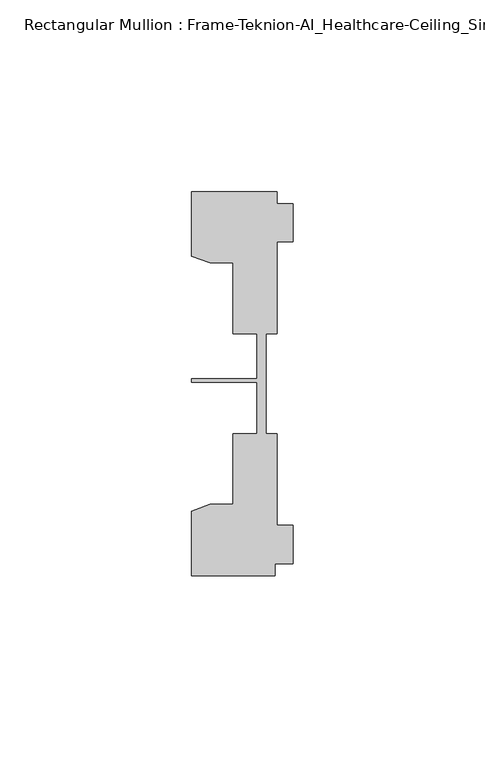
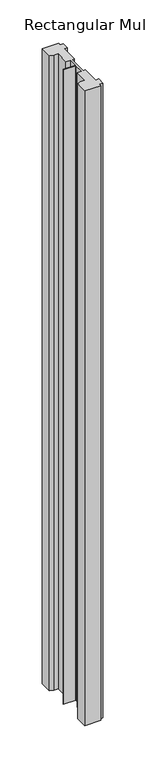
"""IFC4 building model written with IfcOpenShell, lengths in millimetres: member geometry, Rectangular Mullion : Frame-Teknion-AI_Healthcare-Ceiling_Single_Channel."""

import ifcopenshell
import ifcopenshell.guid

model = None  # the IFC model being written
_history = None  # IfcOwnerHistory: only IFC2X3 demands one
_inside = {}  # id of a spatial element -> (the spatial element, [elements in it])
_under = {}  # id of a project, library or spatial element -> (it, [spatial elements below it])
_declared = {}  # id of a project -> (the project, [libraries it declares])
_typed = {}  # id of a type object -> (the type object, [elements of that type])
_made_of = {}  # id of a material, layer set ... -> (it, [elements and type objects made of it])


def new_model(schema):
    """Start an empty IFC model of exactly this schema.

    Asked for "IFC4X3", IfcOpenShell would pick the latest addendum, in which some entities
    have other attributes; the version numbers below select the first issue.
    IFC2X3 requires an IfcOwnerHistory on every rooted entity: one is made here for all.
    """
    global model, _history
    if schema == "IFC4X3":
        model = ifcopenshell.file(schema_version=(4, 3, 0, 0))
    else:
        model = ifcopenshell.file(schema=schema)
    _inside.clear()
    _under.clear()
    _declared.clear()
    _typed.clear()
    _made_of.clear()
    _history = None
    if model.schema == "IFC2X3":
        org = make("IfcOrganization", Name="unknown")
        user = make(
            "IfcPersonAndOrganization",
            ThePerson=make("IfcPerson", FamilyName="unknown"),
            TheOrganization=org,
        )
        app = make(
            "IfcApplication",
            ApplicationDeveloper=org,
            Version="unknown",
            ApplicationFullName="unknown",
            ApplicationIdentifier="unknown",
        )
        _history = make(
            "IfcOwnerHistory",
            OwningUser=user,
            OwningApplication=app,
            ChangeAction="ADDED",
            CreationDate=0,
        )
    return model


def make(cls, **values):
    """One entity of the class cls with the attributes given. An attribute that is None is left unset."""
    return model.create_entity(
        cls, **{name: value for name, value in values.items() if value is not None}
    )


def rooted(cls, **values):
    """An entity with a GlobalId (a new one), such as an element, a storey or a relation."""
    return make(cls, GlobalId=ifcopenshell.guid.new(), OwnerHistory=_history, **values)


def si_unit(unit_type, name, prefix=None):
    """IfcSIUnit, for example si_unit("LENGTHUNIT", "METRE", prefix="MILLI")."""
    return make("IfcSIUnit", UnitType=unit_type, Prefix=prefix, Name=name)


def assignment(units):
    """IfcUnitAssignment: the units of a project."""
    return None if units is None else make("IfcUnitAssignment", Units=units)


def point(xyz):
    """IfcCartesianPoint."""
    return None if xyz is None else make("IfcCartesianPoint", Coordinates=xyz)


def direction(xyz):
    """IfcDirection."""
    return None if xyz is None else make("IfcDirection", DirectionRatios=xyz)


def frame(location, z_axis=None, x_axis=None):
    """IfcAxis2Placement3D, a coordinate frame: its origin and axes. An axis left out is left unset."""
    return make(
        "IfcAxis2Placement3D",
        Location=point(location),
        Axis=direction(z_axis),
        RefDirection=direction(x_axis),
    )


def origin():
    """The frame at (0, 0, 0) with its axes left unset."""
    return frame((0.0, 0.0, 0.0))


def place(relative_to, where):
    """IfcLocalPlacement: puts the frame where relative to a parent placement (None: the world)."""
    return make(
        "IfcLocalPlacement", PlacementRelTo=relative_to, RelativePlacement=where
    )


def context(
    kind, dimensions, precision=None, world=None, true_north=None, identifier=None
):
    """IfcGeometricRepresentationContext, for example the 3D "Model" context."""
    return make(
        "IfcGeometricRepresentationContext",
        ContextIdentifier=identifier,
        ContextType=kind,
        CoordinateSpaceDimension=dimensions,
        Precision=precision,
        WorldCoordinateSystem=world,
        TrueNorth=true_north,
    )


def project(units=None, contexts=None):
    """IfcProject with its units and contexts."""
    return rooted(
        "IfcProject",
        Name="project",
        RepresentationContexts=contexts,
        UnitsInContext=assignment(units),
    )


def spatial(cls, under=None, at=None, **own):
    """A site, building, storey or space (cls), placed at a placement, below another one or the project."""
    s = rooted(cls, ObjectPlacement=at, **own)
    if under is not None:
        _under.setdefault(under.id(), (under, []))[1].append(s)
    return s


def polyline(points):
    """IfcPolyline through the points."""
    return make("IfcPolyline", Points=[point(p) for p in points])


def outline(outer, holes=None, kind="AREA"):
    """IfcArbitraryClosedProfileDef: a profile drawn as a closed curve; with holes, ...WithVoids."""
    if holes is None:
        return make("IfcArbitraryClosedProfileDef", ProfileType=kind, OuterCurve=outer)
    return make(
        "IfcArbitraryProfileDefWithVoids",
        ProfileType=kind,
        OuterCurve=outer,
        InnerCurves=holes,
    )


def extrude(swept, where, along, depth):
    """IfcExtrudedAreaSolid: the profile swept, set in the frame where, extruded along a direction by depth."""
    return make(
        "IfcExtrudedAreaSolid",
        SweptArea=swept,
        Position=where,
        ExtrudedDirection=direction(along),
        Depth=depth,
    )


def shape(context_of_items, identifier, shape_type, items):
    """IfcShapeRepresentation: the items that make up one representation, for example the "Body"."""
    return make(
        "IfcShapeRepresentation",
        ContextOfItems=context_of_items,
        RepresentationIdentifier=identifier,
        RepresentationType=shape_type,
        Items=items,
    )


def source(mapping_origin, context_of_items, identifier, shape_type, items):
    """IfcRepresentationMap: a shape defined once, which mapped items show again and again."""
    return make(
        "IfcRepresentationMap",
        MappingOrigin=mapping_origin,
        MappedRepresentation=shape(context_of_items, identifier, shape_type, items),
    )


def transform(
    local_origin,
    x_axis=None,
    y_axis=None,
    z_axis=None,
    scale=None,
    scale2=None,
    scale3=None,
    uniform=True,
):
    """IfcCartesianTransformationOperator3D, or its non-uniform kind. x_axis, y_axis, z_axis: its Axis1, 2, 3."""
    if uniform:
        return make(
            "IfcCartesianTransformationOperator3D",
            Axis1=direction(x_axis),
            Axis2=direction(y_axis),
            LocalOrigin=point(local_origin),
            Scale=scale,
            Axis3=direction(z_axis),
        )
    return make(
        "IfcCartesianTransformationOperator3DnonUniform",
        Axis1=direction(x_axis),
        Axis2=direction(y_axis),
        LocalOrigin=point(local_origin),
        Scale=scale,
        Axis3=direction(z_axis),
        Scale2=scale2,
        Scale3=scale3,
    )


def mapped(mapping_source, mapping_target):
    """IfcMappedItem: shows the shape of a source again, moved by a transform."""
    return make(
        "IfcMappedItem", MappingSource=mapping_source, MappingTarget=mapping_target
    )


def made_of(thing, what):
    """Note that an element or type object is made of a material, layer set ...; save() writes the relation."""
    if what is not None:
        _made_of.setdefault(what.id(), (what, []))[1].append(thing)
    return thing


def element(
    cls,
    number,
    at=None,
    inside=None,
    cuts=None,
    type_object=None,
    material=None,
    context=None,
    identifier="Body",
    shape_type=None,
    held_by="IfcProductDefinitionShape",
    body=None,
    shapes=None,
    **own,
):
    """One element of the class cls, such as IfcWall. Its Tag is "e" and its number.

    at: its placement. inside: the storey or other place that contains it. cuts: it is an
    opening in that element (IfcRelVoidsElement). A single representation is given by context,
    identifier, shape_type and body (its items); several are given by shapes. held_by: the class
    of the entity that holds the representations. save() writes the other relations.
    """
    e = rooted(cls, Tag="e%d" % number, ObjectPlacement=at, **own)
    if body is not None:
        shapes = [shape(context, identifier, shape_type, body)]
    if shapes is not None:
        e.Representation = make(held_by, Representations=shapes)
    if inside is not None:
        _inside.setdefault(inside.id(), (inside, []))[1].append(e)
    if cuts is not None:
        rooted(
            "IfcRelVoidsElement", RelatingBuildingElement=cuts, RelatedOpeningElement=e
        )
    if type_object is not None:
        _typed.setdefault(type_object.id(), (type_object, []))[1].append(e)
    return made_of(e, material)


def aggregate(whole, parts):
    """IfcRelAggregates: a whole, such as a stair, and the parts it consists of."""
    return rooted("IfcRelAggregates", RelatingObject=whole, RelatedObjects=parts)


def save(model, path):
    """Write the relations noted so far, then the file.

    IfcRelAggregates (storeys below a building ...), IfcRelContainedInSpatialStructure (elements
    in a storey), IfcRelDefinesByType, IfcRelAssociatesMaterial and IfcRelDeclares: one each for
    every whole, place, type object, material and project.
    """
    for whole, parts in _under.values():
        aggregate(whole, parts)
    for where, things in _inside.values():
        rooted(
            "IfcRelContainedInSpatialStructure",
            RelatedElements=things,
            RelatingStructure=where,
        )
    for kind, things in _typed.values():
        rooted("IfcRelDefinesByType", RelatedObjects=things, RelatingType=kind)
    for what, things in _made_of.values():
        rooted("IfcRelAssociatesMaterial", RelatedObjects=things, RelatingMaterial=what)
    for by, libraries in _declared.values():
        rooted("IfcRelDeclares", RelatingContext=by, RelatedDefinitions=libraries)
    model.write(path)


def rectangular_mullion_frame_teknion_ai_healthcare_ceiling_046dd384(model_context):
    return source(origin(), model_context, "Body", "SweptSolid", [
        extrude(outline(polyline([(-26.4921999, -34.0201677), (-21.6625199, -32.2880982), (-15.6737764, -32.2880982), (-15.6737764, -13.9110722), (-9.4507761, -13.9110722), (-9.4507761, -0.4036528), (-26.4921999, -0.4036528), (-26.4921999, 0.4036528), (-9.4507761, 0.4036528), (-9.4507761, 12.2509301), (-15.6737764, 12.2509301), (-15.6737764, 30.6279561), (-21.6625199, 30.6279561), (-26.4921999, 32.3600207), (-26.4921999, 49.1699293), (-4.2672007, 49.1699293), (-4.2672007, 46.1219322), (0.0, 46.1219322), (0.0, 36.1219249), (-4.2672007, 36.1219249), (-4.2672007, 12.2509301), (-7.1647766, 12.2509301), (-7.1647766, -0.0814804), (-7.1647766, -13.9110722), (-4.2672007, -13.9110722), (-4.2672007, -37.7820716), (0.0, -37.7820716), (0.0, -47.782071), (-4.7752002, -47.782071), (-4.7752002, -50.8315128), (-26.4921999, -50.8315128), (-26.4921999, -34.0201677)])), frame((0.0, 0.0, -914.4), z_axis=(0.0, 0.0, 1.0), x_axis=(1.0, 0.0, 0.0)), (0.0, 0.0, 1.0), 914.4),
    ])


if __name__ == "__main__":
    model = new_model("IFC4")
    model_context = context("Model", 3, world=origin())
    ifc_project = project(units=[si_unit("LENGTHUNIT", "METRE", prefix="MILLI")], contexts=[model_context])
    site = spatial("IfcSite", under=ifc_project)
    building = spatial("IfcBuilding", under=site)
    placement = place(None, origin())
    rectangular_mullion_frame_teknion_ai_healthcare_ceiling_shape = rectangular_mullion_frame_teknion_ai_healthcare_ceiling_046dd384(model_context)
    element("IfcMember", 1, ObjectType="Rectangular Mullion : Frame-Teknion-AI_Healthcare-Ceiling_Single_Channel", at=placement, inside=building, context=model_context, shape_type="MappedRepresentation", body=[
        mapped(rectangular_mullion_frame_teknion_ai_healthcare_ceiling_shape, transform((0.0, 0.0, 0.0), x_axis=(1.0, 0.0, 0.0), y_axis=(0.0, 1.0, 0.0), z_axis=(0.0, 0.0, 1.0))),
    ])
    save(model, "model.ifc")
